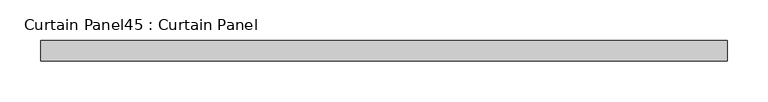
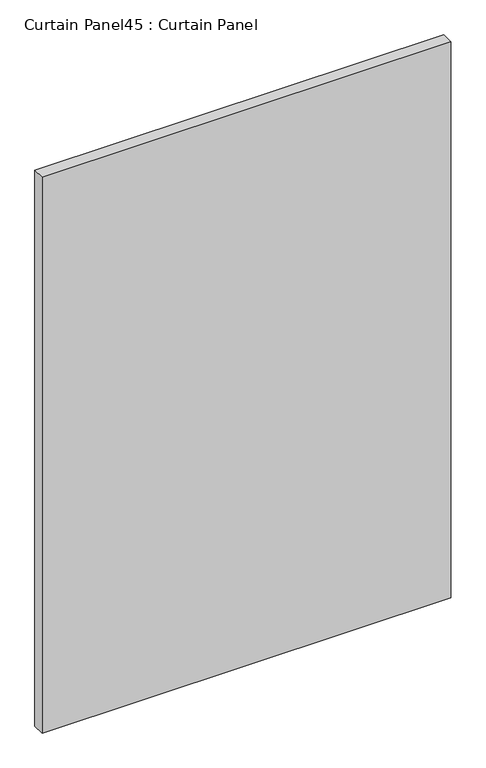
"""IFC4 building model written with IfcOpenShell, lengths in millimetres: plate geometry, Curtain Panel45 : Curtain Panel."""

from ifc_helpers import new_model, si_unit, frame, origin, place, context, project, spatial, polyline, outline, extrude, source, transform, mapped, element, save


def curtain_panel45_curtain_panel_00abcebb(model_context):
    return source(origin(), model_context, "Body", "SweptSolid", [
        extrude(outline(polyline([(-42818.5651008, -3859.9631042), (-43663.31415, -3859.9631042), (-43663.31415, -3834.5631042), (-42818.5651008, -3834.5631042), (-42818.5651008, -3859.9631042)])), frame((0.0, 0.0, 1214.4608096), z_axis=(0.0, 0.0, 1.0), x_axis=(1.0, 0.0, 0.0)), (0.0, 0.0, 1.0), 1214.4140772),
    ])


if __name__ == "__main__":
    model = new_model("IFC4")
    model_context = context("Model", 3, world=origin())
    ifc_project = project(units=[si_unit("LENGTHUNIT", "METRE", prefix="MILLI")], contexts=[model_context])
    site = spatial("IfcSite", under=ifc_project)
    building = spatial("IfcBuilding", under=site)
    placement = place(None, origin())
    curtain_panel45_curtain_panel_shape = curtain_panel45_curtain_panel_00abcebb(model_context)
    element("IfcPlate", 1, ObjectType="Curtain Panel45 : Curtain Panel", at=placement, inside=building, context=model_context, shape_type="MappedRepresentation", body=[
        mapped(curtain_panel45_curtain_panel_shape, transform((0.0, 0.0, 0.0), x_axis=(1.0, 0.0, 0.0), y_axis=(0.0, 1.0, 0.0), z_axis=(0.0, 0.0, 1.0))),
    ])
    save(model, "model.ifc")
